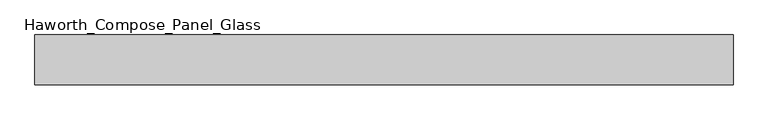
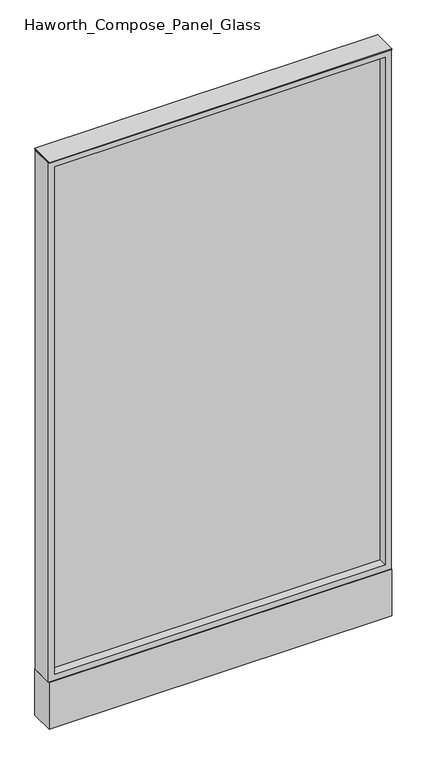
"""IFC4 building model written with IfcOpenShell, lengths in millimetres: furniture geometry, Haworth_Compose_Panel_Glass."""

from ifc_helpers import new_model, si_unit, point, frame, frame_2d, origin, origin_with_axes, place, context, project, spatial, polyline, circle_curve, trimmed, segment, composite_curve, outline, extrude, source, transform, mapped, element, save


def haworth_compose_panel_glass_f98b6851(model_context):
    return source(origin(), model_context, "Body", "SweptSolid", [
        extrude(outline(composite_curve([segment(trimmed(circle_curve(frame_2d((459.6402902, 0.0)), 12.7), [point((446.9402902, 0.0))], [point((472.3402902, 0.0))], False, "CARTESIAN"), True, "CONTINUOUS"), segment(trimmed(circle_curve(frame_2d((459.6402902, 0.0)), 12.7), [point((472.3402902, 0.0))], [point((446.9402902, 0.0))], False, "CARTESIAN"), True, "CONTINUOUS")], self_intersect=False)), origin_with_axes(), (0.0, 0.0, 1.0), 12.7),
        extrude(outline(composite_curve([segment(trimmed(circle_curve(frame_2d((-454.7597098, 0.0)), 12.7), [point((-467.4597098, 0.0))], [point((-442.0597098, 0.0))], False, "CARTESIAN"), True, "CONTINUOUS"), segment(trimmed(circle_curve(frame_2d((-454.7597098, 0.0)), 12.7), [point((-442.0597098, 0.0))], [point((-467.4597098, 0.0))], False, "CARTESIAN"), True, "CONTINUOUS")], self_intersect=False)), origin_with_axes(), (0.0, 0.0, 1.0), 12.7),
        extrude(outline(polyline([(516.7902902, -6.35), (-511.9097098, -6.35), (-511.9097098, 6.35), (516.7902902, 6.35), (516.7902902, -6.35)])), frame((0.0, 0.0, 184.15), z_axis=(0.0, 0.0, 1.0), x_axis=(1.0, 0.0, 0.0)), (0.0, 0.0, 1.0), 1670.05),
        extrude(outline(polyline([(1873.25, -530.9597098), (165.1, -530.9597098), (165.1, 535.8402902), (1873.25, 535.8402902), (1873.25, -530.9597098)]), holes=[polyline([(1854.2, 516.7902902), (184.15, 516.7902902), (184.15, -511.9097098), (1854.2, -511.9097098), (1854.2, 516.7902902)])]), frame((0.0, -34.925, 0.0), z_axis=(0.0, 1.0, 0.0), x_axis=(0.0, 0.0, 1.0)), (0.0, 0.0, 1.0), 69.85),
        extrude(outline(polyline([(-530.9597098, 38.1), (535.8402902, 38.1), (535.8402902, -38.1), (-530.9597098, -38.1), (-530.9597098, 38.1)])), frame((0.0, 0.0, 12.7), z_axis=(0.0, 0.0, 1.0), x_axis=(1.0, 0.0, 0.0)), (0.0, 0.0, 1.0), 152.4),
        extrude(outline(polyline([(-530.9597098, -38.1), (-530.9597098, 38.1), (535.8402902, 38.1), (535.8402902, -38.1), (-530.9597098, -38.1)])), frame((0.0, 0.0, 1873.25), z_axis=(0.0, 0.0, 1.0), x_axis=(1.0, 0.0, 0.0)), (0.0, 0.0, 1.0), 3.175),
    ])


if __name__ == "__main__":
    model = new_model("IFC4")
    model_context = context("Model", 3, world=origin())
    ifc_project = project(units=[si_unit("LENGTHUNIT", "METRE", prefix="MILLI")], contexts=[model_context])
    site = spatial("IfcSite", under=ifc_project)
    building = spatial("IfcBuilding", under=site)
    placement = place(None, origin())
    haworth_compose_panel_glass_shape = haworth_compose_panel_glass_f98b6851(model_context)
    element("IfcFurniture", 1, ObjectType="Haworth_Compose_Panel_Glass", at=placement, inside=building, context=model_context, shape_type="MappedRepresentation", body=[
        mapped(haworth_compose_panel_glass_shape, transform((0.0, 0.0, 0.0), x_axis=(1.0, 0.0, 0.0), y_axis=(0.0, 1.0, 0.0), z_axis=(0.0, 0.0, 1.0))),
    ])
    save(model, "model.ifc")
